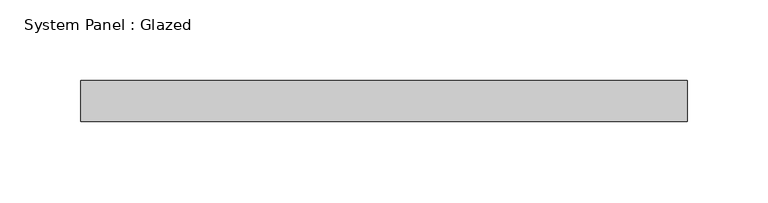
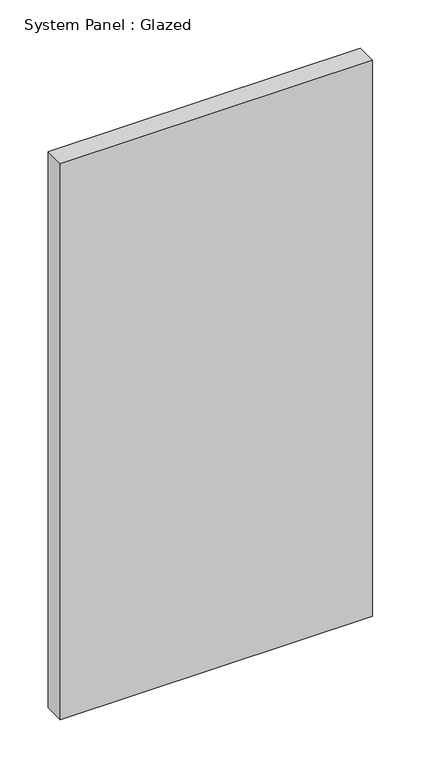
"""IFC4 building model written with IfcOpenShell, lengths in millimetres: plate geometry, System Panel : Glazed."""

from ifc_helpers import new_model, si_unit, origin, origin_with_axes, place, context, project, spatial, polyline, outline, extrude, source, transform, mapped, element, save


def system_panel_glazed_ebcdffa2(model_context):
    return source(origin(), model_context, "Body", "SweptSolid", [
        extrude(outline(polyline([(187.325, -12.7), (-187.325, -12.7), (-187.325, 12.7), (187.325, 12.7), (187.325, -12.7)])), origin_with_axes(), (0.0, 0.0, 1.0), 704.85),
    ])


if __name__ == "__main__":
    model = new_model("IFC4")
    model_context = context("Model", 3, world=origin())
    ifc_project = project(units=[si_unit("LENGTHUNIT", "METRE", prefix="MILLI")], contexts=[model_context])
    site = spatial("IfcSite", under=ifc_project)
    building = spatial("IfcBuilding", under=site)
    placement = place(None, origin())
    system_panel_glazed_shape = system_panel_glazed_ebcdffa2(model_context)
    element("IfcPlate", 1, ObjectType="System Panel : Glazed", at=placement, inside=building, context=model_context, shape_type="MappedRepresentation", body=[
        mapped(system_panel_glazed_shape, transform((0.0, 0.0, 0.0), x_axis=(1.0, 0.0, 0.0), y_axis=(0.0, 1.0, 0.0), z_axis=(0.0, 0.0, 1.0))),
    ])
    save(model, "model.ifc")
